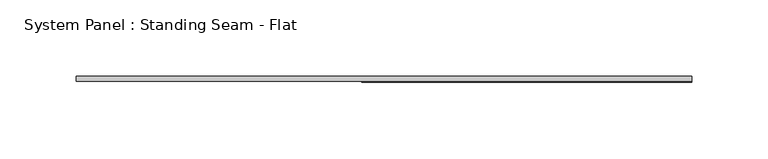
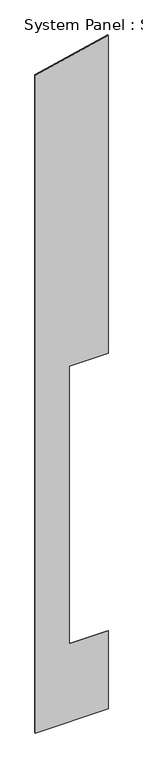
"""IFC4 building model written with IfcOpenShell, lengths in millimetres: plate geometry, System Panel : Standing Seam - Flat."""

from ifc_helpers import new_model, si_unit, frame, origin, place, context, project, spatial, polyline, outline, extrude, source, transform, mapped, element, save


def system_panel_standing_seam_flat_93959ffa(model_context):
    return source(origin(), model_context, "Body", "SweptSolid", [
        extrude(outline(polyline([(0.0, -201.6125002), (0.0, 201.6125002), (457.2, 201.6125002), (457.2, -14.4816364), (2082.8, -14.4816364), (2082.8, 201.6125002), (3946.4638083, 201.6125002), (3853.8106161, -201.6125002), (0.0, -201.6125002)])), frame((0.0, -1.5875, 0.0), z_axis=(0.0, 1.0, 0.0), x_axis=(0.0, 0.0, 1.0)), (0.0, 0.0, 1.0), 3.175),
    ])


if __name__ == "__main__":
    model = new_model("IFC4")
    model_context = context("Model", 3, world=origin())
    ifc_project = project(units=[si_unit("LENGTHUNIT", "METRE", prefix="MILLI")], contexts=[model_context])
    site = spatial("IfcSite", under=ifc_project)
    building = spatial("IfcBuilding", under=site)
    placement = place(None, origin())
    system_panel_standing_seam_flat_shape = system_panel_standing_seam_flat_93959ffa(model_context)
    element("IfcPlate", 1, ObjectType="System Panel : Standing Seam - Flat", at=placement, inside=building, context=model_context, shape_type="MappedRepresentation", body=[
        mapped(system_panel_standing_seam_flat_shape, transform((0.0, 0.0, 0.0), x_axis=(1.0, 0.0, 0.0), y_axis=(0.0, 1.0, 0.0), z_axis=(0.0, 0.0, 1.0))),
    ])
    save(model, "model.ifc")
